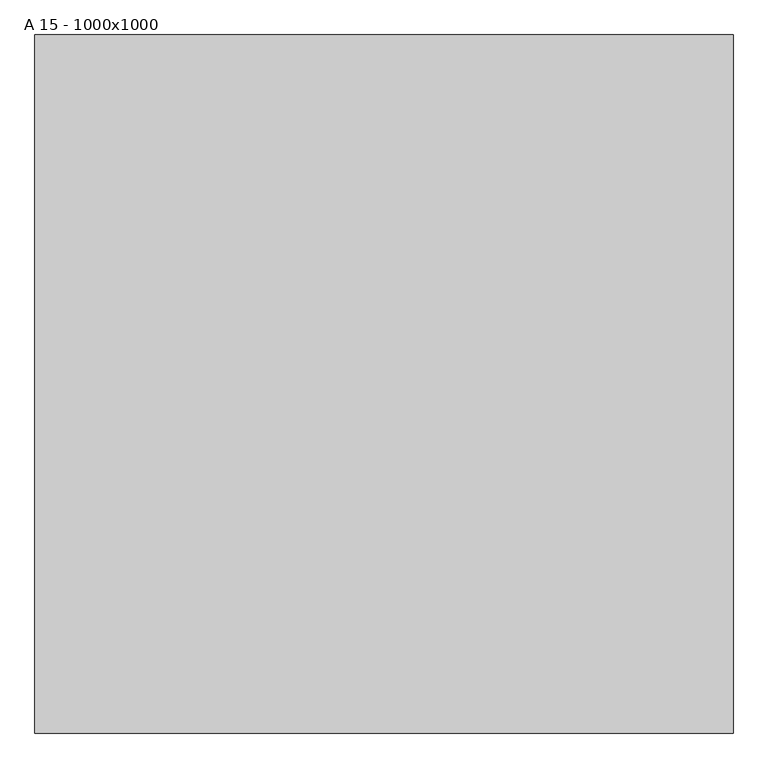
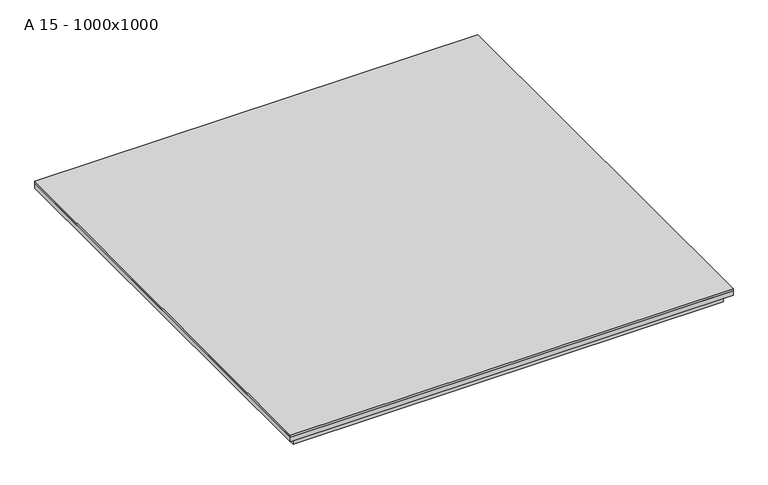
"""IFC4 building model written with IfcOpenShell, lengths in millimetres: proxy geometry, A 15 - 1000x1000."""

from ifc_helpers import new_model, si_unit, frame, origin, place, context, project, spatial, polyline, outline, extrude, faceted_brep, source, transform, mapped, element, save


def a_15_1000x1000_09a3dd51(model_context):
    return source(origin(), model_context, "Body", "SolidModel", [
        extrude(outline(polyline([(539.0, 539.0), (539.0, -539.0), (-539.0, -539.0), (-539.0, 539.0), (539.0, 539.0)])), frame((0.0, 0.0, -5.0), z_axis=(0.0, 0.0, 1.0), x_axis=(1.0, 0.0, 0.0)), (0.0, 0.0, 1.0), 5.0),
        faceted_brep([(500.0, 500.0, -35.5), (500.0, 500.0, -37.5), (500.0, -500.0, -37.5), (500.0, -500.0, -35.5), (537.0, 537.0, -5.0), (537.0, 537.0, -15.0), (537.0, -537.0, -15.0), (537.0, -537.0, -5.0), (539.0, 539.0, -17.0), (539.0, 539.0, -5.0), (539.0, -539.0, -5.0), (539.0, -539.0, -17.0), (-500.0, -500.0, -37.5), (-500.0, -500.0, -35.5), (-537.0, -537.0, -15.0), (-537.0, -537.0, -5.0), (-539.0, -539.0, -5.0), (-539.0, -539.0, -17.0), (-500.0, 500.0, -37.5), (-500.0, 500.0, -35.5), (-537.0, 537.0, -15.0), (-537.0, 537.0, -5.0), (-539.0, 539.0, -5.0), (-539.0, 539.0, -17.0), (524.0, -524.0, -37.5), (-524.0, -524.0, -37.5), (-524.0, 524.0, -37.5), (524.0, 524.0, -37.5), (524.0, 524.0, -17.0), (524.0, -524.0, -17.0), (522.0, 522.0, -15.0), (522.0, 522.0, -35.5), (522.0, -522.0, -35.5), (522.0, -522.0, -15.0), (-524.0, -524.0, -17.0), (-522.0, -522.0, -35.5), (-522.0, -522.0, -15.0), (-524.0, 524.0, -17.0), (-522.0, 522.0, -35.5), (-522.0, 522.0, -15.0)], [[[0, 1, 2, 3]], [[4, 5, 6, 7]], [[8, 9, 10, 11]], [[3, 2, 12, 13]], [[7, 6, 14, 15]], [[11, 10, 16, 17]], [[13, 12, 18, 19]], [[15, 14, 20, 21]], [[17, 16, 22, 23]], [[24, 25, 26, 27], [1, 18, 12, 2]], [[19, 18, 1, 0]], [[21, 20, 5, 4]], [[9, 22, 16, 10], [7, 15, 21, 4]], [[23, 22, 9, 8]], [[27, 28, 29, 24]], [[30, 31, 32, 33]], [[24, 29, 34, 25]], [[33, 32, 35, 36]], [[25, 34, 37, 26]], [[36, 35, 38, 39]], [[11, 17, 23, 8], [28, 37, 34, 29]], [[26, 37, 28, 27]], [[31, 38, 35, 32], [3, 13, 19, 0]], [[39, 38, 31, 30]], [[5, 20, 14, 6], [33, 36, 39, 30]]]),
    ])


if __name__ == "__main__":
    model = new_model("IFC4")
    model_context = context("Model", 3, world=origin())
    ifc_project = project(units=[si_unit("LENGTHUNIT", "METRE", prefix="MILLI")], contexts=[model_context])
    site = spatial("IfcSite", under=ifc_project)
    building = spatial("IfcBuilding", under=site)
    placement = place(None, origin())
    a_15_1000x1000_shape = a_15_1000x1000_09a3dd51(model_context)
    element("IfcBuildingElementProxy", 1, Name="A 15 - 1000x1000", ObjectType="A 15 - 1000x1000", at=placement, inside=building, context=model_context, shape_type="MappedRepresentation", body=[
        mapped(a_15_1000x1000_shape, transform((0.0, 0.0, 0.0), x_axis=(1.0, 0.0, 0.0), y_axis=(0.0, 1.0, 0.0), z_axis=(0.0, 0.0, 1.0))),
    ])
    save(model, "model.ifc")
